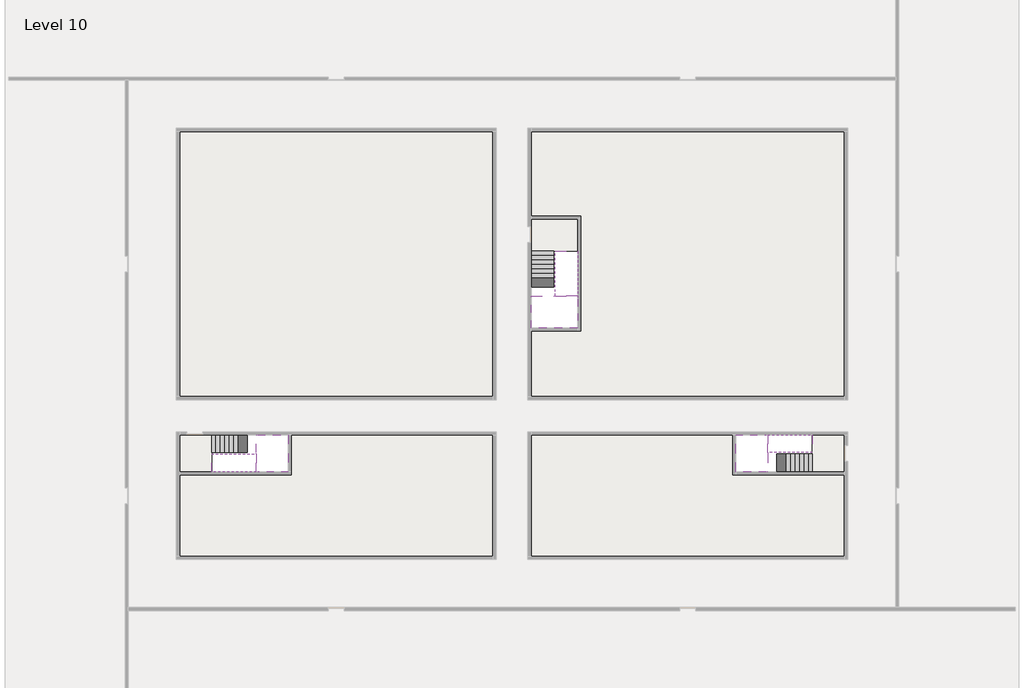
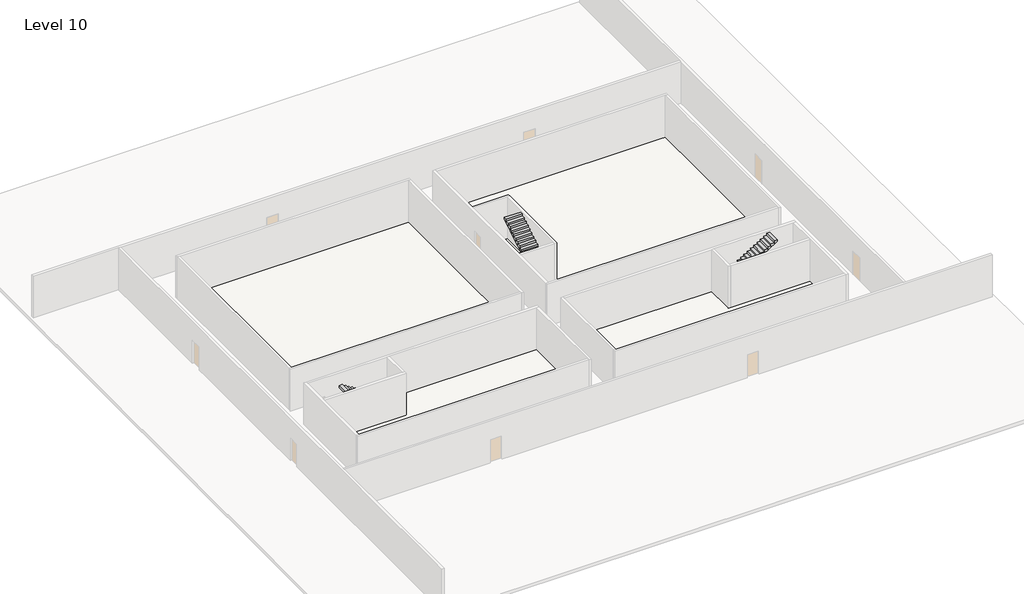
# One storey, part 2 of 2: 6 stair flights, 5 slabs.
"""IFC4 building model written with IfcOpenShell, lengths in millimetres."""

import ifcopenshell
import ifcopenshell.guid

model = None  # the IFC model being written
_history = None  # IfcOwnerHistory: only IFC2X3 demands one
_inside = {}  # id of a spatial element -> (the spatial element, [elements in it])
_under = {}  # id of a project, library or spatial element -> (it, [spatial elements below it])
_declared = {}  # id of a project -> (the project, [libraries it declares])
_typed = {}  # id of a type object -> (the type object, [elements of that type])
_made_of = {}  # id of a material, layer set ... -> (it, [elements and type objects made of it])


def new_model(schema):
    """Start an empty IFC model of exactly this schema.

    Asked for "IFC4X3", IfcOpenShell would pick the latest addendum, in which some entities
    have other attributes; the version numbers below select the first issue.
    IFC2X3 requires an IfcOwnerHistory on every rooted entity: one is made here for all.
    """
    global model, _history
    if schema == "IFC4X3":
        model = ifcopenshell.file(schema_version=(4, 3, 0, 0))
    else:
        model = ifcopenshell.file(schema=schema)
    _inside.clear()
    _under.clear()
    _declared.clear()
    _typed.clear()
    _made_of.clear()
    _history = None
    if model.schema == "IFC2X3":
        org = make("IfcOrganization", Name="unknown")
        user = make(
            "IfcPersonAndOrganization",
            ThePerson=make("IfcPerson", FamilyName="unknown"),
            TheOrganization=org,
        )
        app = make(
            "IfcApplication",
            ApplicationDeveloper=org,
            Version="unknown",
            ApplicationFullName="unknown",
            ApplicationIdentifier="unknown",
        )
        _history = make(
            "IfcOwnerHistory",
            OwningUser=user,
            OwningApplication=app,
            ChangeAction="ADDED",
            CreationDate=0,
        )
    return model


def make(cls, **values):
    """One entity of the class cls with the attributes given. An attribute that is None is left unset."""
    return model.create_entity(
        cls, **{name: value for name, value in values.items() if value is not None}
    )


def rooted(cls, **values):
    """An entity with a GlobalId (a new one), such as an element, a storey or a relation."""
    return make(cls, GlobalId=ifcopenshell.guid.new(), OwnerHistory=_history, **values)


def si_unit(unit_type, name, prefix=None):
    """IfcSIUnit, for example si_unit("LENGTHUNIT", "METRE", prefix="MILLI")."""
    return make("IfcSIUnit", UnitType=unit_type, Prefix=prefix, Name=name)


def assignment(units):
    """IfcUnitAssignment: the units of a project."""
    return None if units is None else make("IfcUnitAssignment", Units=units)


def point(xyz):
    """IfcCartesianPoint."""
    return None if xyz is None else make("IfcCartesianPoint", Coordinates=xyz)


def direction(xyz):
    """IfcDirection."""
    return None if xyz is None else make("IfcDirection", DirectionRatios=xyz)


def frame(location, z_axis=None, x_axis=None):
    """IfcAxis2Placement3D, a coordinate frame: its origin and axes. An axis left out is left unset."""
    return make(
        "IfcAxis2Placement3D",
        Location=point(location),
        Axis=direction(z_axis),
        RefDirection=direction(x_axis),
    )


def origin():
    """The frame at (0, 0, 0) with its axes left unset."""
    return frame((0.0, 0.0, 0.0))


def place(relative_to, where):
    """IfcLocalPlacement: puts the frame where relative to a parent placement (None: the world)."""
    return make(
        "IfcLocalPlacement", PlacementRelTo=relative_to, RelativePlacement=where
    )


def context(
    kind, dimensions, precision=None, world=None, true_north=None, identifier=None
):
    """IfcGeometricRepresentationContext, for example the 3D "Model" context."""
    return make(
        "IfcGeometricRepresentationContext",
        ContextIdentifier=identifier,
        ContextType=kind,
        CoordinateSpaceDimension=dimensions,
        Precision=precision,
        WorldCoordinateSystem=world,
        TrueNorth=true_north,
    )


def project(units=None, contexts=None):
    """IfcProject with its units and contexts."""
    return rooted(
        "IfcProject",
        Name="project",
        RepresentationContexts=contexts,
        UnitsInContext=assignment(units),
    )


def spatial(cls, under=None, at=None, **own):
    """A site, building, storey or space (cls), placed at a placement, below another one or the project."""
    s = rooted(cls, ObjectPlacement=at, **own)
    if under is not None:
        _under.setdefault(under.id(), (under, []))[1].append(s)
    return s


def polyline(points):
    """IfcPolyline through the points."""
    return make("IfcPolyline", Points=[point(p) for p in points])


def outline(outer, holes=None, kind="AREA"):
    """IfcArbitraryClosedProfileDef: a profile drawn as a closed curve; with holes, ...WithVoids."""
    if holes is None:
        return make("IfcArbitraryClosedProfileDef", ProfileType=kind, OuterCurve=outer)
    return make(
        "IfcArbitraryProfileDefWithVoids",
        ProfileType=kind,
        OuterCurve=outer,
        InnerCurves=holes,
    )


def extrude(swept, where, along, depth):
    """IfcExtrudedAreaSolid: the profile swept, set in the frame where, extruded along a direction by depth."""
    return make(
        "IfcExtrudedAreaSolid",
        SweptArea=swept,
        Position=where,
        ExtrudedDirection=direction(along),
        Depth=depth,
    )


def faces_of(points, faces, orient=None, outer=None):
    """IfcFace entities. A face is a list of loops; a loop is a list of indices into points, from 0.

    orient and outer hold one flag for each loop. By default every Orientation is true, the
    first loop of a face is its IfcFaceOuterBound and the others are IfcFaceBound.
    """
    made = []
    for i, loops in enumerate(faces):
        bounds = []
        for j, loop in enumerate(loops):
            is_outer = j == 0 if outer is None else outer[i][j]
            bounds.append(
                make(
                    "IfcFaceOuterBound" if is_outer else "IfcFaceBound",
                    Bound=make("IfcPolyLoop", Polygon=[points[k] for k in loop]),
                    Orientation=True if orient is None else orient[i][j],
                )
            )
        made.append(make("IfcFace", Bounds=bounds))
    return made


def faceted_brep(points, faces, orient=None, outer=None, voids=None):
    """IfcFacetedBrep: a solid bounded by flat faces; with voids (closed shells), ...WithVoids."""
    shared = [point(p) for p in points]
    hull = make("IfcClosedShell", CfsFaces=faces_of(shared, faces, orient, outer))
    if voids is None:
        return make("IfcFacetedBrep", Outer=hull)
    return make(
        "IfcFacetedBrepWithVoids",
        Outer=hull,
        Voids=[
            make(cls, CfsFaces=faces_of(shared, fs, o, b)) for cls, fs, o, b in voids
        ],
    )


def shape(context_of_items, identifier, shape_type, items):
    """IfcShapeRepresentation: the items that make up one representation, for example the "Body"."""
    return make(
        "IfcShapeRepresentation",
        ContextOfItems=context_of_items,
        RepresentationIdentifier=identifier,
        RepresentationType=shape_type,
        Items=items,
    )


def made_of(thing, what):
    """Note that an element or type object is made of a material, layer set ...; save() writes the relation."""
    if what is not None:
        _made_of.setdefault(what.id(), (what, []))[1].append(thing)
    return thing


def element(
    cls,
    number,
    at=None,
    inside=None,
    cuts=None,
    type_object=None,
    material=None,
    context=None,
    identifier="Body",
    shape_type=None,
    held_by="IfcProductDefinitionShape",
    body=None,
    shapes=None,
    **own,
):
    """One element of the class cls, such as IfcWall. Its Tag is "e" and its number.

    at: its placement. inside: the storey or other place that contains it. cuts: it is an
    opening in that element (IfcRelVoidsElement). A single representation is given by context,
    identifier, shape_type and body (its items); several are given by shapes. held_by: the class
    of the entity that holds the representations. save() writes the other relations.
    """
    e = rooted(cls, Tag="e%d" % number, ObjectPlacement=at, **own)
    if body is not None:
        shapes = [shape(context, identifier, shape_type, body)]
    if shapes is not None:
        e.Representation = make(held_by, Representations=shapes)
    if inside is not None:
        _inside.setdefault(inside.id(), (inside, []))[1].append(e)
    if cuts is not None:
        rooted(
            "IfcRelVoidsElement", RelatingBuildingElement=cuts, RelatedOpeningElement=e
        )
    if type_object is not None:
        _typed.setdefault(type_object.id(), (type_object, []))[1].append(e)
    return made_of(e, material)


def aggregate(whole, parts):
    """IfcRelAggregates: a whole, such as a stair, and the parts it consists of."""
    return rooted("IfcRelAggregates", RelatingObject=whole, RelatedObjects=parts)


def save(model, path):
    """Write the relations noted so far, then the file.

    IfcRelAggregates (storeys below a building ...), IfcRelContainedInSpatialStructure (elements
    in a storey), IfcRelDefinesByType, IfcRelAssociatesMaterial and IfcRelDeclares: one each for
    every whole, place, type object, material and project.
    """
    for whole, parts in _under.values():
        aggregate(whole, parts)
    for where, things in _inside.values():
        rooted(
            "IfcRelContainedInSpatialStructure",
            RelatedElements=things,
            RelatingStructure=where,
        )
    for kind, things in _typed.values():
        rooted("IfcRelDefinesByType", RelatedObjects=things, RelatingType=kind)
    for what, things in _made_of.values():
        rooted("IfcRelAssociatesMaterial", RelatedObjects=things, RelatingMaterial=what)
    for by, libraries in _declared.values():
        rooted("IfcRelDeclares", RelatingContext=by, RelatedDefinitions=libraries)
    model.write(path)


model = new_model("IFC4")

# Units and contexts
model_context = context("Model", 3, world=origin())
ifc_project = project(units=[si_unit("LENGTHUNIT", "METRE", prefix="MILLI")], contexts=[model_context])

# Site, building, storey
site = spatial("IfcSite", under=ifc_project)
building = spatial("IfcBuilding", under=site)
storey = spatial("IfcBuildingStorey", under=building, Name="Level 10", Elevation=34200.0)

# Slabs
placement = place(None, origin())
element("IfcSlab", 1, at=placement, inside=storey, context=model_context, shape_type="Brep", body=[
    faceted_brep([(8190.1058784, -42918.09644, 36100.0), (8190.1058784, -44018.09644, 36100.0), (8190.1058784, -44118.09644, 36100.0), (8190.1058784, -45218.09644, 36100.0), (8390.7194421, -45218.09644, 36100.0), (10190.1058784, -45218.09644, 36100.0), (10190.1058784, -42918.09644, 36100.0), (8269.4923146, -42918.09644, 36100.0), (8190.1058784, -42918.09644, 35927.2727273), (8190.1058784, -42918.09644, 35751.0278478), (8190.1058784, -44018.09644, 35751.0278478), (8190.1058784, -44018.09644, 35800.0), (8190.1058784, -44118.09644, 35800.0), (8190.1058784, -44118.09644, 35923.7551205), (8190.1058784, -45218.09644, 35923.7551205), (8390.7194421, -45218.09644, 35800.0), (10190.1058784, -45218.09644, 35800.0), (10190.1058784, -42918.09644, 35800.0), (8269.4923146, -42918.09644, 35800.0), (8390.7194421, -44118.09644, 35800.0), (8269.4923146, -44018.09644, 35800.0)], [[[0, 1, 2, 3, 4, 5, 6, 7]], [[1, 0, 8, 9, 10, 11]], [[2, 1, 11, 12, 13]], [[3, 2, 13, 14]], [[3, 14, 15, 16, 5, 4]], [[6, 5, 16, 17]], [[9, 8, 0, 7, 6, 17, 18]], [[19, 12, 11, 20, 18, 17, 16, 15]], [[12, 19, 13]], [[18, 20, 10, 9]], [[20, 11, 10]], [[19, 15, 14, 13]]]),
])
element("IfcSlab", 2, at=placement, inside=storey, context=model_context, shape_type="Brep", body=[
    faceted_brep([(40190.1058784, -45218.09644, 36100.0), (40190.1058784, -44118.09644, 36100.0), (40190.1058784, -44018.09644, 36100.0), (40190.1058784, -42918.09644, 36100.0), (39989.4923146, -42918.09644, 36100.0), (38190.1058784, -42918.09644, 36100.0), (38190.1058784, -45218.09644, 36100.0), (40110.7194421, -45218.09644, 36100.0), (40190.1058784, -45218.09644, 35927.2727273), (40190.1058784, -45218.09644, 35751.0278478), (40190.1058784, -44118.09644, 35751.0278478), (40190.1058784, -44118.09644, 35800.0), (40190.1058784, -44018.09644, 35800.0), (40190.1058784, -44018.09644, 35923.7551205), (40190.1058784, -42918.09644, 35923.7551205), (39989.4923146, -42918.09644, 35800.0), (38190.1058784, -42918.09644, 35800.0), (38190.1058784, -45218.09644, 35800.0), (40110.7194421, -45218.09644, 35800.0), (39989.4923146, -44018.09644, 35800.0), (40110.7194421, -44118.09644, 35800.0)], [[[0, 1, 2, 3, 4, 5, 6, 7]], [[1, 0, 8, 9, 10, 11]], [[2, 1, 11, 12, 13]], [[3, 2, 13, 14]], [[3, 14, 15, 16, 5, 4]], [[6, 5, 16, 17]], [[9, 8, 0, 7, 6, 17, 18]], [[19, 12, 11, 20, 18, 17, 16, 15]], [[12, 19, 13]], [[18, 20, 10, 9]], [[20, 11, 10]], [[19, 15, 14, 13]]]),
])
element("IfcSlab", 3, at=placement, inside=storey, context=model_context, shape_type="Brep", body=[
    faceted_brep([(26790.1058784, -34218.09644, 36100.0), (25390.1058784, -34218.09644, 36100.0), (25390.1058784, -34297.4828763, 36100.0), (25390.1058784, -36218.09644, 36100.0), (28290.1058784, -36218.09644, 36100.0), (28290.1058784, -34418.7100038, 36100.0), (28290.1058784, -34218.09644, 36100.0), (26890.1058784, -34218.09644, 36100.0), (26790.1058784, -34218.09644, 35800.0), (26790.1058784, -34218.09644, 35751.0278478), (25390.1058784, -34218.09644, 35751.0278478), (25390.1058784, -34218.09644, 35927.2727273), (25390.1058784, -34297.4828763, 35800.0), (25390.1058784, -36218.09644, 35800.0), (28290.1058784, -36218.09644, 35800.0), (28290.1058784, -34418.7100038, 35800.0), (28290.1058784, -34218.09644, 35923.7551205), (26890.1058784, -34218.09644, 35923.7551205), (26890.1058784, -34218.09644, 35800.0), (26890.1058784, -34418.7100038, 35800.0), (26790.1058784, -34297.4828763, 35800.0)], [[[0, 1, 2, 3, 4, 5, 6, 7]], [[1, 0, 8, 9, 10, 11]], [[1, 11, 10, 12, 13, 3, 2]], [[4, 3, 13, 14]], [[4, 14, 15, 16, 6, 5]], [[7, 6, 16, 17]], [[0, 7, 17, 18, 8]], [[18, 19, 15, 14, 13, 12, 20, 8]], [[19, 18, 17]], [[20, 12, 10, 9]], [[8, 20, 9]], [[15, 19, 17, 16]]]),
])
element("IfcSlab", 4, at=placement, inside=storey, context=model_context, shape_type="SweptSolid", body=[
    extrude(outline(polyline([(22990.1058784, -23918.09644), (22990.1058784, -40518.09644), (3390.1058784, -40518.09644), (3390.1058784, -23918.09644), (22990.1058784, -23918.09644)])), frame((0.0, 0.0, 33900.0), z_axis=(0.0, 0.0, 1.0), x_axis=(1.0, 0.0, 0.0)), (0.0, 0.0, 1.0), 300.0),
    extrude(outline(polyline([(44990.1058784, -23918.09644), (44990.1058784, -40518.09644), (25390.1058784, -40518.09644), (25390.1058784, -36418.09644), (28490.1058784, -36418.09644), (28490.1058784, -29218.09644), (25390.1058784, -29218.09644), (25390.1058784, -23918.09644), (44990.1058784, -23918.09644)])), frame((0.0, 0.0, 33900.0), z_axis=(0.0, 0.0, 1.0), x_axis=(1.0, 0.0, 0.0)), (0.0, 0.0, 1.0), 300.0),
    extrude(outline(polyline([(22990.1058784, -42918.09644), (22990.1058784, -50518.09644), (3390.1058784, -50518.09644), (3390.1058784, -45418.09644), (10390.1058784, -45418.09644), (10390.1058784, -42918.09644), (22990.1058784, -42918.09644)])), frame((0.0, 0.0, 33900.0), z_axis=(0.0, 0.0, 1.0), x_axis=(1.0, 0.0, 0.0)), (0.0, 0.0, 1.0), 300.0),
    extrude(outline(polyline([(37990.1058784, -42918.09644), (37990.1058784, -45418.09644), (44990.1058784, -45418.09644), (44990.1058784, -50518.09644), (25390.1058784, -50518.09644), (25390.1058784, -42918.09644), (37990.1058784, -42918.09644)])), frame((0.0, 0.0, 33900.0), z_axis=(0.0, 0.0, 1.0), x_axis=(1.0, 0.0, 0.0)), (0.0, 0.0, 1.0), 300.0),
])
element("IfcSlab", 5, at=placement, inside=storey, context=model_context, shape_type="SweptSolid", body=[
    extrude(outline(polyline([(44990.1058784, -42918.09644), (44990.1058784, -45218.09644), (42990.1058784, -45218.09644), (42990.1058784, -42918.09644), (44990.1058784, -42918.09644)])), frame((0.0, 0.0, 33900.0), z_axis=(0.0, 0.0, 1.0), x_axis=(1.0, 0.0, 0.0)), (0.0, 0.0, 1.0), 300.0),
    extrude(outline(polyline([(5390.1058784, -42918.09644), (5390.1058784, -45218.09644), (3390.1058784, -45218.09644), (3390.1058784, -42918.09644), (5390.1058784, -42918.09644)])), frame((0.0, 0.0, 33900.0), z_axis=(0.0, 0.0, 1.0), x_axis=(1.0, 0.0, 0.0)), (0.0, 0.0, 1.0), 300.0),
    extrude(outline(polyline([(28290.1058784, -29418.09644), (28290.1058784, -31418.09644), (25390.1058784, -31418.09644), (25390.1058784, -29418.09644), (28290.1058784, -29418.09644)])), frame((0.0, 0.0, 33900.0), z_axis=(0.0, 0.0, 1.0), x_axis=(1.0, 0.0, 0.0)), (0.0, 0.0, 1.0), 300.0),
])

# Stair flights
element("IfcStairFlight", 6, at=placement, inside=storey, context=model_context, shape_type="Brep", body=[
    faceted_brep([(5670.1058784, -42918.09644, 34372.7272727), (5390.1058784, -42918.09644, 34372.7272727), (5390.1058784, -44018.09644, 34372.7272727), (5670.1058784, -44018.09644, 34372.7272727), (5670.1058784, -42918.09644, 34200.0), (5390.1058784, -42918.09644, 34200.0), (5390.1058784, -44018.09644, 34200.0), (5670.1058784, -44018.09644, 34200.0), (5950.1058784, -42918.09644, 34545.4545455), (5670.1058784, -42918.09644, 34545.4545455), (5670.1058784, -44018.09644, 34545.4545455), (5950.1058784, -44018.09644, 34545.4545455), (5950.1058784, -42918.09644, 34369.209666), (5675.8081041, -42918.09644, 34200.0), (5675.8081041, -44018.09644, 34200.0), (5950.1058784, -44018.09644, 34369.209666), (6230.1058784, -42918.09644, 34718.1818182), (5950.1058784, -42918.09644, 34718.1818182), (5950.1058784, -44018.09644, 34718.1818182), (6230.1058784, -44018.09644, 34718.1818182), (6230.1058784, -42918.09644, 34541.9369387), (6230.1058784, -44018.09644, 34541.9369387), (6510.1058784, -42918.09644, 34890.9090909), (6230.1058784, -42918.09644, 34890.9090909), (6230.1058784, -44018.09644, 34890.9090909), (6510.1058784, -44018.09644, 34890.9090909), (6510.1058784, -42918.09644, 34714.6642114), (6510.1058784, -44018.09644, 34714.6642114), (6790.1058784, -42918.09644, 35063.6363636), (6510.1058784, -42918.09644, 35063.6363636), (6510.1058784, -44018.09644, 35063.6363636), (6790.1058784, -44018.09644, 35063.6363636), (6790.1058784, -42918.09644, 34887.3914841), (6790.1058784, -44018.09644, 34887.3914841), (7070.1058784, -42918.09644, 35236.3636364), (6790.1058784, -42918.09644, 35236.3636364), (6790.1058784, -44018.09644, 35236.3636364), (7070.1058784, -44018.09644, 35236.3636364), (7070.1058784, -42918.09644, 35060.1187569), (7070.1058784, -44018.09644, 35060.1187569), (7350.1058784, -42918.09644, 35409.0909091), (7070.1058784, -42918.09644, 35409.0909091), (7070.1058784, -44018.09644, 35409.0909091), (7350.1058784, -44018.09644, 35409.0909091), (7350.1058784, -42918.09644, 35232.8460296), (7350.1058784, -44018.09644, 35232.8460296), (7630.1058784, -42918.09644, 35581.8181818), (7350.1058784, -42918.09644, 35581.8181818), (7350.1058784, -44018.09644, 35581.8181818), (7630.1058784, -44018.09644, 35581.8181818), (7630.1058784, -42918.09644, 35405.5733023), (7630.1058784, -44018.09644, 35405.5733023), (7910.1058784, -42918.09644, 35754.5454545), (7630.1058784, -42918.09644, 35754.5454545), (7630.1058784, -44018.09644, 35754.5454545), (7910.1058784, -44018.09644, 35754.5454545), (7910.1058784, -42918.09644, 35578.3005751), (7910.1058784, -44018.09644, 35578.3005751), (8190.1058784, -42918.09644, 35927.2727273), (7910.1058784, -42918.09644, 35927.2727273), (7910.1058784, -44018.09644, 35927.2727273), (8190.1058784, -44018.09644, 35927.2727273), (8190.1058784, -42918.09644, 35751.0278478), (8190.1058784, -44018.09644, 35751.0278478), (8190.1058784, -44018.09644, 35800.0)], [[[0, 1, 2, 3]], [[1, 0, 4, 5]], [[2, 1, 5, 6]], [[3, 2, 6, 7]], [[8, 9, 10, 11]], [[4, 0, 9, 8, 12, 13]], [[0, 3, 10, 9]], [[3, 7, 14, 15, 11, 10]], [[16, 17, 18, 19]], [[17, 16, 20, 12, 8]], [[8, 11, 18, 17]], [[19, 18, 11, 15, 21]], [[22, 23, 24, 25]], [[23, 22, 26, 20, 16]], [[16, 19, 24, 23]], [[25, 24, 19, 21, 27]], [[28, 29, 30, 31]], [[29, 28, 32, 26, 22]], [[22, 25, 30, 29]], [[31, 30, 25, 27, 33]], [[34, 35, 36, 37]], [[35, 34, 38, 32, 28]], [[28, 31, 36, 35]], [[37, 36, 31, 33, 39]], [[40, 41, 42, 43]], [[41, 40, 44, 38, 34]], [[34, 37, 42, 41]], [[43, 42, 37, 39, 45]], [[46, 47, 48, 49]], [[47, 46, 50, 44, 40]], [[40, 43, 48, 47]], [[49, 48, 43, 45, 51]], [[52, 53, 54, 55]], [[53, 52, 56, 50, 46]], [[46, 49, 54, 53]], [[55, 54, 49, 51, 57]], [[58, 59, 60, 61]], [[59, 58, 62, 56, 52]], [[52, 55, 60, 59]], [[61, 60, 55, 57, 63, 64]], [[58, 61, 64, 63, 62]], [[5, 4, 13, 14, 7, 6]], [[14, 13, 12, 20, 26, 32, 38, 44, 50, 56, 62, 63, 57, 51, 45, 39, 33, 27, 21, 15]]]),
])
element("IfcStairFlight", 7, at=placement, inside=storey, context=model_context, shape_type="Brep", body=[
    faceted_brep([(7910.1058784, -45218.09644, 36272.7272727), (8190.1058784, -45218.09644, 36272.7272727), (8190.1058784, -44118.09644, 36272.7272727), (7910.1058784, -44118.09644, 36272.7272727), (7910.1058784, -45218.09644, 36096.4823932), (8190.1058784, -45218.09644, 35923.7551205), (8190.1058784, -45218.09644, 36100.0), (8190.1058784, -44118.09644, 35923.7551205), (7910.1058784, -44118.09644, 36096.4823932), (7630.1058784, -45218.09644, 36445.4545455), (7910.1058784, -45218.09644, 36445.4545455), (7910.1058784, -44118.09644, 36445.4545455), (7630.1058784, -44118.09644, 36445.4545455), (7630.1058784, -45218.09644, 36269.209666), (7630.1058784, -44118.09644, 36269.209666), (7350.1058784, -45218.09644, 36618.1818182), (7630.1058784, -45218.09644, 36618.1818182), (7630.1058784, -44118.09644, 36618.1818182), (7350.1058784, -44118.09644, 36618.1818182), (7350.1058784, -45218.09644, 36441.9369387), (7350.1058784, -44118.09644, 36441.9369387), (7070.1058784, -45218.09644, 36790.9090909), (7350.1058784, -45218.09644, 36790.9090909), (7350.1058784, -44118.09644, 36790.9090909), (7070.1058784, -44118.09644, 36790.9090909), (7070.1058784, -45218.09644, 36614.6642114), (7070.1058784, -44118.09644, 36614.6642114), (6790.1058784, -45218.09644, 36963.6363636), (7070.1058784, -45218.09644, 36963.6363636), (7070.1058784, -44118.09644, 36963.6363636), (6790.1058784, -44118.09644, 36963.6363636), (6790.1058784, -45218.09644, 36787.3914841), (6790.1058784, -44118.09644, 36787.3914841), (6510.1058784, -45218.09644, 37136.3636364), (6790.1058784, -45218.09644, 37136.3636364), (6790.1058784, -44118.09644, 37136.3636364), (6510.1058784, -44118.09644, 37136.3636364), (6510.1058784, -45218.09644, 36960.1187569), (6510.1058784, -44118.09644, 36960.1187569), (6230.1058784, -45218.09644, 37309.0909091), (6510.1058784, -45218.09644, 37309.0909091), (6510.1058784, -44118.09644, 37309.0909091), (6230.1058784, -44118.09644, 37309.0909091), (6230.1058784, -45218.09644, 37132.8460296), (6230.1058784, -44118.09644, 37132.8460296), (5950.1058784, -45218.09644, 37481.8181818), (6230.1058784, -45218.09644, 37481.8181818), (6230.1058784, -44118.09644, 37481.8181818), (5950.1058784, -44118.09644, 37481.8181818), (5950.1058784, -45218.09644, 37305.5733023), (5950.1058784, -44118.09644, 37305.5733023), (5670.1058784, -45218.09644, 37654.5454545), (5950.1058784, -45218.09644, 37654.5454545), (5950.1058784, -44118.09644, 37654.5454545), (5670.1058784, -44118.09644, 37654.5454545), (5670.1058784, -45218.09644, 37478.3005751), (5670.1058784, -44118.09644, 37478.3005751), (5390.1058784, -45218.09644, 37827.2727273), (5670.1058784, -45218.09644, 37827.2727273), (5670.1058784, -44118.09644, 37827.2727273), (5390.1058784, -44118.09644, 37827.2727273), (5390.1058784, -45218.09644, 37651.0278478), (5390.1058784, -44118.09644, 37651.0278478)], [[[0, 1, 2, 3]], [[1, 0, 4, 5, 6]], [[2, 1, 6, 5, 7]], [[3, 2, 7, 8]], [[9, 10, 11, 12]], [[10, 9, 13, 4, 0]], [[11, 10, 0, 3]], [[12, 11, 3, 8, 14]], [[15, 16, 17, 18]], [[16, 15, 19, 13, 9]], [[17, 16, 9, 12]], [[18, 17, 12, 14, 20]], [[21, 22, 23, 24]], [[22, 21, 25, 19, 15]], [[23, 22, 15, 18]], [[24, 23, 18, 20, 26]], [[27, 28, 29, 30]], [[28, 27, 31, 25, 21]], [[29, 28, 21, 24]], [[30, 29, 24, 26, 32]], [[33, 34, 35, 36]], [[34, 33, 37, 31, 27]], [[35, 34, 27, 30]], [[36, 35, 30, 32, 38]], [[39, 40, 41, 42]], [[40, 39, 43, 37, 33]], [[41, 40, 33, 36]], [[42, 41, 36, 38, 44]], [[45, 46, 47, 48]], [[46, 45, 49, 43, 39]], [[47, 46, 39, 42]], [[48, 47, 42, 44, 50]], [[51, 52, 53, 54]], [[52, 51, 55, 49, 45]], [[53, 52, 45, 48]], [[54, 53, 48, 50, 56]], [[57, 58, 59, 60]], [[58, 57, 61, 55, 51]], [[59, 58, 51, 54]], [[60, 59, 54, 56, 62]], [[57, 60, 62, 61]], [[5, 4, 13, 19, 25, 31, 37, 43, 49, 55, 61, 62, 56, 50, 44, 38, 32, 26, 20, 14, 8, 7]]]),
])
element("IfcStairFlight", 8, at=placement, inside=storey, context=model_context, shape_type="Brep", body=[
    faceted_brep([(42710.1058784, -45218.09644, 34372.7272727), (42990.1058784, -45218.09644, 34372.7272727), (42990.1058784, -44118.09644, 34372.7272727), (42710.1058784, -44118.09644, 34372.7272727), (42710.1058784, -45218.09644, 34200.0), (42990.1058784, -45218.09644, 34200.0), (42990.1058784, -44118.09644, 34200.0), (42710.1058784, -44118.09644, 34200.0), (42430.1058784, -45218.09644, 34545.4545455), (42710.1058784, -45218.09644, 34545.4545455), (42710.1058784, -44118.09644, 34545.4545455), (42430.1058784, -44118.09644, 34545.4545455), (42430.1058784, -45218.09644, 34369.209666), (42704.4036527, -45218.09644, 34200.0), (42704.4036527, -44118.09644, 34200.0), (42430.1058784, -44118.09644, 34369.209666), (42150.1058784, -45218.09644, 34718.1818182), (42430.1058784, -45218.09644, 34718.1818182), (42430.1058784, -44118.09644, 34718.1818182), (42150.1058784, -44118.09644, 34718.1818182), (42150.1058784, -45218.09644, 34541.9369387), (42150.1058784, -44118.09644, 34541.9369387), (41870.1058784, -45218.09644, 34890.9090909), (42150.1058784, -45218.09644, 34890.9090909), (42150.1058784, -44118.09644, 34890.9090909), (41870.1058784, -44118.09644, 34890.9090909), (41870.1058784, -45218.09644, 34714.6642114), (41870.1058784, -44118.09644, 34714.6642114), (41590.1058784, -45218.09644, 35063.6363636), (41870.1058784, -45218.09644, 35063.6363636), (41870.1058784, -44118.09644, 35063.6363636), (41590.1058784, -44118.09644, 35063.6363636), (41590.1058784, -45218.09644, 34887.3914841), (41590.1058784, -44118.09644, 34887.3914841), (41310.1058784, -45218.09644, 35236.3636364), (41590.1058784, -45218.09644, 35236.3636364), (41590.1058784, -44118.09644, 35236.3636364), (41310.1058784, -44118.09644, 35236.3636364), (41310.1058784, -45218.09644, 35060.1187569), (41310.1058784, -44118.09644, 35060.1187569), (41030.1058784, -45218.09644, 35409.0909091), (41310.1058784, -45218.09644, 35409.0909091), (41310.1058784, -44118.09644, 35409.0909091), (41030.1058784, -44118.09644, 35409.0909091), (41030.1058784, -45218.09644, 35232.8460296), (41030.1058784, -44118.09644, 35232.8460296), (40750.1058784, -45218.09644, 35581.8181818), (41030.1058784, -45218.09644, 35581.8181818), (41030.1058784, -44118.09644, 35581.8181818), (40750.1058784, -44118.09644, 35581.8181818), (40750.1058784, -45218.09644, 35405.5733023), (40750.1058784, -44118.09644, 35405.5733023), (40470.1058784, -45218.09644, 35754.5454545), (40750.1058784, -45218.09644, 35754.5454545), (40750.1058784, -44118.09644, 35754.5454545), (40470.1058784, -44118.09644, 35754.5454545), (40470.1058784, -45218.09644, 35578.3005751), (40470.1058784, -44118.09644, 35578.3005751), (40190.1058784, -45218.09644, 35927.2727273), (40470.1058784, -45218.09644, 35927.2727273), (40470.1058784, -44118.09644, 35927.2727273), (40190.1058784, -44118.09644, 35927.2727273), (40190.1058784, -45218.09644, 35751.0278478), (40190.1058784, -44118.09644, 35751.0278478), (40190.1058784, -44118.09644, 35800.0)], [[[0, 1, 2, 3]], [[1, 0, 4, 5]], [[2, 1, 5, 6]], [[3, 2, 6, 7]], [[8, 9, 10, 11]], [[4, 0, 9, 8, 12, 13]], [[0, 3, 10, 9]], [[3, 7, 14, 15, 11, 10]], [[16, 17, 18, 19]], [[17, 16, 20, 12, 8]], [[8, 11, 18, 17]], [[19, 18, 11, 15, 21]], [[22, 23, 24, 25]], [[23, 22, 26, 20, 16]], [[16, 19, 24, 23]], [[25, 24, 19, 21, 27]], [[28, 29, 30, 31]], [[29, 28, 32, 26, 22]], [[22, 25, 30, 29]], [[31, 30, 25, 27, 33]], [[34, 35, 36, 37]], [[35, 34, 38, 32, 28]], [[28, 31, 36, 35]], [[37, 36, 31, 33, 39]], [[40, 41, 42, 43]], [[41, 40, 44, 38, 34]], [[34, 37, 42, 41]], [[43, 42, 37, 39, 45]], [[46, 47, 48, 49]], [[47, 46, 50, 44, 40]], [[40, 43, 48, 47]], [[49, 48, 43, 45, 51]], [[52, 53, 54, 55]], [[53, 52, 56, 50, 46]], [[46, 49, 54, 53]], [[55, 54, 49, 51, 57]], [[58, 59, 60, 61]], [[59, 58, 62, 56, 52]], [[52, 55, 60, 59]], [[61, 60, 55, 57, 63, 64]], [[58, 61, 64, 63, 62]], [[5, 4, 13, 14, 7, 6]], [[14, 13, 12, 20, 26, 32, 38, 44, 50, 56, 62, 63, 57, 51, 45, 39, 33, 27, 21, 15]]]),
])
element("IfcStairFlight", 9, at=placement, inside=storey, context=model_context, shape_type="Brep", body=[
    faceted_brep([(40470.1058784, -42918.09644, 36272.7272727), (40190.1058784, -42918.09644, 36272.7272727), (40190.1058784, -44018.09644, 36272.7272727), (40470.1058784, -44018.09644, 36272.7272727), (40470.1058784, -42918.09644, 36096.4823932), (40190.1058784, -42918.09644, 35923.7551205), (40190.1058784, -42918.09644, 36100.0), (40190.1058784, -44018.09644, 35923.7551205), (40470.1058784, -44018.09644, 36096.4823932), (40750.1058784, -42918.09644, 36445.4545455), (40470.1058784, -42918.09644, 36445.4545455), (40470.1058784, -44018.09644, 36445.4545455), (40750.1058784, -44018.09644, 36445.4545455), (40750.1058784, -42918.09644, 36269.209666), (40750.1058784, -44018.09644, 36269.209666), (41030.1058784, -42918.09644, 36618.1818182), (40750.1058784, -42918.09644, 36618.1818182), (40750.1058784, -44018.09644, 36618.1818182), (41030.1058784, -44018.09644, 36618.1818182), (41030.1058784, -42918.09644, 36441.9369387), (41030.1058784, -44018.09644, 36441.9369387), (41310.1058784, -42918.09644, 36790.9090909), (41030.1058784, -42918.09644, 36790.9090909), (41030.1058784, -44018.09644, 36790.9090909), (41310.1058784, -44018.09644, 36790.9090909), (41310.1058784, -42918.09644, 36614.6642114), (41310.1058784, -44018.09644, 36614.6642114), (41590.1058784, -42918.09644, 36963.6363636), (41310.1058784, -42918.09644, 36963.6363636), (41310.1058784, -44018.09644, 36963.6363636), (41590.1058784, -44018.09644, 36963.6363636), (41590.1058784, -42918.09644, 36787.3914841), (41590.1058784, -44018.09644, 36787.3914841), (41870.1058784, -42918.09644, 37136.3636364), (41590.1058784, -42918.09644, 37136.3636364), (41590.1058784, -44018.09644, 37136.3636364), (41870.1058784, -44018.09644, 37136.3636364), (41870.1058784, -42918.09644, 36960.1187569), (41870.1058784, -44018.09644, 36960.1187569), (42150.1058784, -42918.09644, 37309.0909091), (41870.1058784, -42918.09644, 37309.0909091), (41870.1058784, -44018.09644, 37309.0909091), (42150.1058784, -44018.09644, 37309.0909091), (42150.1058784, -42918.09644, 37132.8460296), (42150.1058784, -44018.09644, 37132.8460296), (42430.1058784, -42918.09644, 37481.8181818), (42150.1058784, -42918.09644, 37481.8181818), (42150.1058784, -44018.09644, 37481.8181818), (42430.1058784, -44018.09644, 37481.8181818), (42430.1058784, -42918.09644, 37305.5733023), (42430.1058784, -44018.09644, 37305.5733023), (42710.1058784, -42918.09644, 37654.5454545), (42430.1058784, -42918.09644, 37654.5454545), (42430.1058784, -44018.09644, 37654.5454545), (42710.1058784, -44018.09644, 37654.5454545), (42710.1058784, -42918.09644, 37478.3005751), (42710.1058784, -44018.09644, 37478.3005751), (42990.1058784, -42918.09644, 37827.2727273), (42710.1058784, -42918.09644, 37827.2727273), (42710.1058784, -44018.09644, 37827.2727273), (42990.1058784, -44018.09644, 37827.2727273), (42990.1058784, -42918.09644, 37651.0278478), (42990.1058784, -44018.09644, 37651.0278478)], [[[0, 1, 2, 3]], [[1, 0, 4, 5, 6]], [[2, 1, 6, 5, 7]], [[3, 2, 7, 8]], [[9, 10, 11, 12]], [[10, 9, 13, 4, 0]], [[11, 10, 0, 3]], [[12, 11, 3, 8, 14]], [[15, 16, 17, 18]], [[16, 15, 19, 13, 9]], [[17, 16, 9, 12]], [[18, 17, 12, 14, 20]], [[21, 22, 23, 24]], [[22, 21, 25, 19, 15]], [[23, 22, 15, 18]], [[24, 23, 18, 20, 26]], [[27, 28, 29, 30]], [[28, 27, 31, 25, 21]], [[29, 28, 21, 24]], [[30, 29, 24, 26, 32]], [[33, 34, 35, 36]], [[34, 33, 37, 31, 27]], [[35, 34, 27, 30]], [[36, 35, 30, 32, 38]], [[39, 40, 41, 42]], [[40, 39, 43, 37, 33]], [[41, 40, 33, 36]], [[42, 41, 36, 38, 44]], [[45, 46, 47, 48]], [[46, 45, 49, 43, 39]], [[47, 46, 39, 42]], [[48, 47, 42, 44, 50]], [[51, 52, 53, 54]], [[52, 51, 55, 49, 45]], [[53, 52, 45, 48]], [[54, 53, 48, 50, 56]], [[57, 58, 59, 60]], [[58, 57, 61, 55, 51]], [[59, 58, 51, 54]], [[60, 59, 54, 56, 62]], [[57, 60, 62, 61]], [[5, 4, 13, 19, 25, 31, 37, 43, 49, 55, 61, 62, 56, 50, 44, 38, 32, 26, 20, 14, 8, 7]]]),
])
element("IfcStairFlight", 10, at=placement, inside=storey, context=model_context, shape_type="Brep", body=[
    faceted_brep([(26790.1058784, -31698.09644, 34372.7272727), (26790.1058784, -31418.09644, 34372.7272727), (25390.1058784, -31418.09644, 34372.7272727), (25390.1058784, -31698.09644, 34372.7272727), (26790.1058784, -31698.09644, 34200.0), (26790.1058784, -31418.09644, 34200.0), (25390.1058784, -31418.09644, 34200.0), (25390.1058784, -31698.09644, 34200.0), (26790.1058784, -31978.09644, 34545.4545455), (26790.1058784, -31698.09644, 34545.4545455), (25390.1058784, -31698.09644, 34545.4545455), (25390.1058784, -31978.09644, 34545.4545455), (26790.1058784, -31978.09644, 34369.209666), (26790.1058784, -31703.7986657, 34200.0), (25390.1058784, -31703.7986657, 34200.0), (25390.1058784, -31978.09644, 34369.209666), (26790.1058784, -32258.09644, 34718.1818182), (26790.1058784, -31978.09644, 34718.1818182), (25390.1058784, -31978.09644, 34718.1818182), (25390.1058784, -32258.09644, 34718.1818182), (26790.1058784, -32258.09644, 34541.9369387), (25390.1058784, -32258.09644, 34541.9369387), (26790.1058784, -32538.09644, 34890.9090909), (26790.1058784, -32258.09644, 34890.9090909), (25390.1058784, -32258.09644, 34890.9090909), (25390.1058784, -32538.09644, 34890.9090909), (26790.1058784, -32538.09644, 34714.6642114), (25390.1058784, -32538.09644, 34714.6642114), (26790.1058784, -32818.09644, 35063.6363636), (26790.1058784, -32538.09644, 35063.6363636), (25390.1058784, -32538.09644, 35063.6363636), (25390.1058784, -32818.09644, 35063.6363636), (26790.1058784, -32818.09644, 34887.3914841), (25390.1058784, -32818.09644, 34887.3914841), (26790.1058784, -33098.09644, 35236.3636364), (26790.1058784, -32818.09644, 35236.3636364), (25390.1058784, -32818.09644, 35236.3636364), (25390.1058784, -33098.09644, 35236.3636364), (26790.1058784, -33098.09644, 35060.1187569), (25390.1058784, -33098.09644, 35060.1187569), (26790.1058784, -33378.09644, 35409.0909091), (26790.1058784, -33098.09644, 35409.0909091), (25390.1058784, -33098.09644, 35409.0909091), (25390.1058784, -33378.09644, 35409.0909091), (26790.1058784, -33378.09644, 35232.8460296), (25390.1058784, -33378.09644, 35232.8460296), (26790.1058784, -33658.09644, 35581.8181818), (26790.1058784, -33378.09644, 35581.8181818), (25390.1058784, -33378.09644, 35581.8181818), (25390.1058784, -33658.09644, 35581.8181818), (26790.1058784, -33658.09644, 35405.5733023), (25390.1058784, -33658.09644, 35405.5733023), (26790.1058784, -33938.09644, 35754.5454545), (26790.1058784, -33658.09644, 35754.5454545), (25390.1058784, -33658.09644, 35754.5454545), (25390.1058784, -33938.09644, 35754.5454545), (26790.1058784, -33938.09644, 35578.3005751), (25390.1058784, -33938.09644, 35578.3005751), (26790.1058784, -34218.09644, 35927.2727273), (26790.1058784, -33938.09644, 35927.2727273), (25390.1058784, -33938.09644, 35927.2727273), (25390.1058784, -34218.09644, 35927.2727273), (26790.1058784, -34218.09644, 35800.0), (26790.1058784, -34218.09644, 35751.0278478), (25390.1058784, -34218.09644, 35751.0278478)], [[[0, 1, 2, 3]], [[1, 0, 4, 5]], [[2, 1, 5, 6]], [[3, 2, 6, 7]], [[8, 9, 10, 11]], [[4, 0, 9, 8, 12, 13]], [[0, 3, 10, 9]], [[3, 7, 14, 15, 11, 10]], [[16, 17, 18, 19]], [[17, 16, 20, 12, 8]], [[8, 11, 18, 17]], [[19, 18, 11, 15, 21]], [[22, 23, 24, 25]], [[23, 22, 26, 20, 16]], [[16, 19, 24, 23]], [[25, 24, 19, 21, 27]], [[28, 29, 30, 31]], [[29, 28, 32, 26, 22]], [[22, 25, 30, 29]], [[31, 30, 25, 27, 33]], [[34, 35, 36, 37]], [[35, 34, 38, 32, 28]], [[28, 31, 36, 35]], [[37, 36, 31, 33, 39]], [[40, 41, 42, 43]], [[41, 40, 44, 38, 34]], [[34, 37, 42, 41]], [[43, 42, 37, 39, 45]], [[46, 47, 48, 49]], [[47, 46, 50, 44, 40]], [[40, 43, 48, 47]], [[49, 48, 43, 45, 51]], [[52, 53, 54, 55]], [[53, 52, 56, 50, 46]], [[46, 49, 54, 53]], [[55, 54, 49, 51, 57]], [[58, 59, 60, 61]], [[59, 58, 62, 63, 56, 52]], [[52, 55, 60, 59]], [[61, 60, 55, 57, 64]], [[58, 61, 64, 63, 62]], [[5, 4, 13, 14, 7, 6]], [[14, 13, 12, 20, 26, 32, 38, 44, 50, 56, 63, 64, 57, 51, 45, 39, 33, 27, 21, 15]]]),
])
element("IfcStairFlight", 11, at=placement, inside=storey, context=model_context, shape_type="Brep", body=[
    faceted_brep([(26890.1058784, -33938.09644, 36272.7272727), (26890.1058784, -34218.09644, 36272.7272727), (28290.1058784, -34218.09644, 36272.7272727), (28290.1058784, -33938.09644, 36272.7272727), (26890.1058784, -33938.09644, 36096.4823932), (26890.1058784, -34218.09644, 35923.7551205), (28290.1058784, -34218.09644, 35923.7551205), (28290.1058784, -34218.09644, 36100.0), (28290.1058784, -33938.09644, 36096.4823932), (26890.1058784, -33658.09644, 36445.4545455), (26890.1058784, -33938.09644, 36445.4545455), (28290.1058784, -33938.09644, 36445.4545455), (28290.1058784, -33658.09644, 36445.4545455), (26890.1058784, -33658.09644, 36269.209666), (28290.1058784, -33658.09644, 36269.209666), (26890.1058784, -33378.09644, 36618.1818182), (26890.1058784, -33658.09644, 36618.1818182), (28290.1058784, -33658.09644, 36618.1818182), (28290.1058784, -33378.09644, 36618.1818182), (26890.1058784, -33378.09644, 36441.9369387), (28290.1058784, -33378.09644, 36441.9369387), (26890.1058784, -33098.09644, 36790.9090909), (26890.1058784, -33378.09644, 36790.9090909), (28290.1058784, -33378.09644, 36790.9090909), (28290.1058784, -33098.09644, 36790.9090909), (26890.1058784, -33098.09644, 36614.6642114), (28290.1058784, -33098.09644, 36614.6642114), (26890.1058784, -32818.09644, 36963.6363636), (26890.1058784, -33098.09644, 36963.6363636), (28290.1058784, -33098.09644, 36963.6363636), (28290.1058784, -32818.09644, 36963.6363636), (26890.1058784, -32818.09644, 36787.3914841), (28290.1058784, -32818.09644, 36787.3914841), (26890.1058784, -32538.09644, 37136.3636364), (26890.1058784, -32818.09644, 37136.3636364), (28290.1058784, -32818.09644, 37136.3636364), (28290.1058784, -32538.09644, 37136.3636364), (26890.1058784, -32538.09644, 36960.1187569), (28290.1058784, -32538.09644, 36960.1187569), (26890.1058784, -32258.09644, 37309.0909091), (26890.1058784, -32538.09644, 37309.0909091), (28290.1058784, -32538.09644, 37309.0909091), (28290.1058784, -32258.09644, 37309.0909091), (26890.1058784, -32258.09644, 37132.8460296), (28290.1058784, -32258.09644, 37132.8460296), (26890.1058784, -31978.09644, 37481.8181818), (26890.1058784, -32258.09644, 37481.8181818), (28290.1058784, -32258.09644, 37481.8181818), (28290.1058784, -31978.09644, 37481.8181818), (26890.1058784, -31978.09644, 37305.5733023), (28290.1058784, -31978.09644, 37305.5733023), (26890.1058784, -31698.09644, 37654.5454545), (26890.1058784, -31978.09644, 37654.5454545), (28290.1058784, -31978.09644, 37654.5454545), (28290.1058784, -31698.09644, 37654.5454545), (26890.1058784, -31698.09644, 37478.3005751), (28290.1058784, -31698.09644, 37478.3005751), (26890.1058784, -31418.09644, 37827.2727273), (26890.1058784, -31698.09644, 37827.2727273), (28290.1058784, -31698.09644, 37827.2727273), (28290.1058784, -31418.09644, 37827.2727273), (26890.1058784, -31418.09644, 37651.0278478), (28290.1058784, -31418.09644, 37651.0278478)], [[[0, 1, 2, 3]], [[1, 0, 4, 5]], [[2, 1, 5, 6, 7]], [[3, 2, 7, 6, 8]], [[9, 10, 11, 12]], [[10, 9, 13, 4, 0]], [[11, 10, 0, 3]], [[12, 11, 3, 8, 14]], [[15, 16, 17, 18]], [[16, 15, 19, 13, 9]], [[17, 16, 9, 12]], [[18, 17, 12, 14, 20]], [[21, 22, 23, 24]], [[22, 21, 25, 19, 15]], [[23, 22, 15, 18]], [[24, 23, 18, 20, 26]], [[27, 28, 29, 30]], [[28, 27, 31, 25, 21]], [[29, 28, 21, 24]], [[30, 29, 24, 26, 32]], [[33, 34, 35, 36]], [[34, 33, 37, 31, 27]], [[35, 34, 27, 30]], [[36, 35, 30, 32, 38]], [[39, 40, 41, 42]], [[40, 39, 43, 37, 33]], [[41, 40, 33, 36]], [[42, 41, 36, 38, 44]], [[45, 46, 47, 48]], [[46, 45, 49, 43, 39]], [[47, 46, 39, 42]], [[48, 47, 42, 44, 50]], [[51, 52, 53, 54]], [[52, 51, 55, 49, 45]], [[53, 52, 45, 48]], [[54, 53, 48, 50, 56]], [[57, 58, 59, 60]], [[58, 57, 61, 55, 51]], [[59, 58, 51, 54]], [[60, 59, 54, 56, 62]], [[57, 60, 62, 61]], [[5, 4, 13, 19, 25, 31, 37, 43, 49, 55, 61, 62, 56, 50, 44, 38, 32, 26, 20, 14, 8, 6]]]),
])

save(model, "model.ifc")
